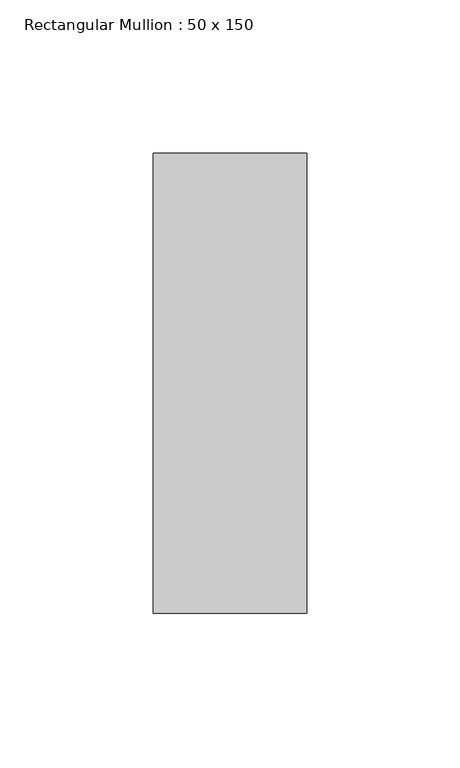
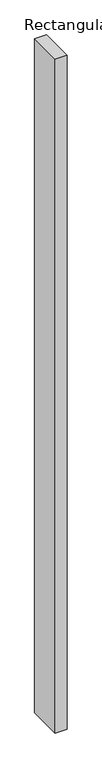
"""IFC4 building model written with IfcOpenShell, lengths in millimetres: member geometry, Rectangular Mullion : 50 x 150."""

from ifc_helpers import new_model, si_unit, frame, origin, place, context, project, spatial, polyline, outline, extrude, source, transform, mapped, element, save


def rectangular_mullion_50_x_150_2947b40a(model_context):
    return source(origin(), model_context, "Body", "SweptSolid", [
        extrude(outline(polyline([(25.0, 50.5), (25.0, -99.5), (-25.0, -99.5), (-25.0, 50.5), (25.0, 50.5)])), frame((0.0, 0.0, -3000.0), z_axis=(0.0, 0.0, 1.0), x_axis=(1.0, 0.0, 0.0)), (0.0, 0.0, 1.0), 3000.0),
    ])


if __name__ == "__main__":
    model = new_model("IFC4")
    model_context = context("Model", 3, world=origin())
    ifc_project = project(units=[si_unit("LENGTHUNIT", "METRE", prefix="MILLI")], contexts=[model_context])
    site = spatial("IfcSite", under=ifc_project)
    building = spatial("IfcBuilding", under=site)
    placement = place(None, origin())
    rectangular_mullion_50_x_150_shape = rectangular_mullion_50_x_150_2947b40a(model_context)
    element("IfcMember", 1, ObjectType="Rectangular Mullion : 50 x 150", at=placement, inside=building, context=model_context, shape_type="MappedRepresentation", body=[
        mapped(rectangular_mullion_50_x_150_shape, transform((0.0, 0.0, 0.0), x_axis=(1.0, 0.0, 0.0), y_axis=(0.0, 1.0, 0.0), z_axis=(0.0, 0.0, 1.0))),
    ])
    save(model, "model.ifc")
